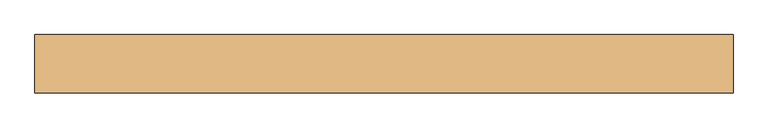
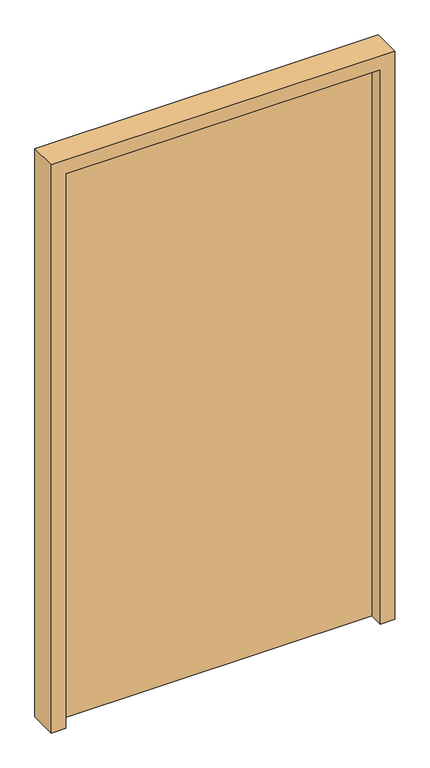
"""IFC4 building model written with IfcOpenShell, lengths in millimetres: door geometry."""

from ifc_helpers import new_model, si_unit, frame, origin, origin_with_axes, place, context, project, spatial, polyline, outline, extrude, source, transform, mapped, element, save


def door_d9ea8988(model_context):
    return source(origin(), model_context, "Body", "SweptSolid", [
        extrude(outline(polyline([(-550.0, 100.0), (550.0, 100.0), (550.0, 50.0), (-550.0, 50.0), (-550.0, 100.0)])), origin_with_axes(), (0.0, 0.0, 1.0), 2050.0),
        extrude(outline(polyline([(0.0, -600.0), (0.0, -550.0), (2050.0, -550.0), (2050.0, 550.0), (0.0, 550.0), (0.0, 600.0), (2100.0, 600.0), (2100.0, -600.0), (0.0, -600.0)])), frame((0.0, 0.0, 0.0), z_axis=(0.0, 1.0, 0.0), x_axis=(0.0, 0.0, 1.0)), (0.0, 0.0, 1.0), 100.0),
    ])


if __name__ == "__main__":
    model = new_model("IFC4")
    model_context = context("Model", 3, world=origin())
    ifc_project = project(units=[si_unit("LENGTHUNIT", "METRE", prefix="MILLI")], contexts=[model_context])
    site = spatial("IfcSite", under=ifc_project)
    building = spatial("IfcBuilding", under=site)
    placement = place(None, origin())
    door_shape = door_d9ea8988(model_context)
    element("IfcDoor", 1, at=placement, inside=building, context=model_context, shape_type="MappedRepresentation", body=[
        mapped(door_shape, transform((0.0, 0.0, 0.0), x_axis=(1.0, 0.0, 0.0), y_axis=(0.0, 1.0, 0.0), z_axis=(0.0, 0.0, 1.0))),
    ])
    save(model, "model.ifc")
